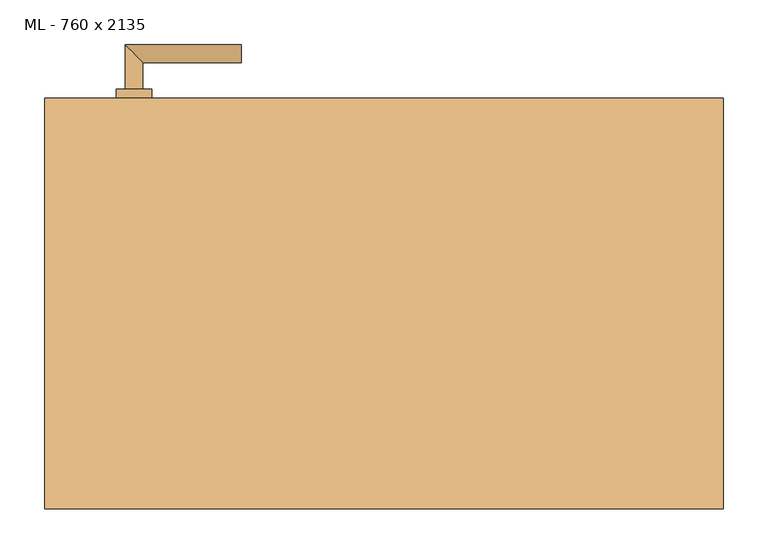
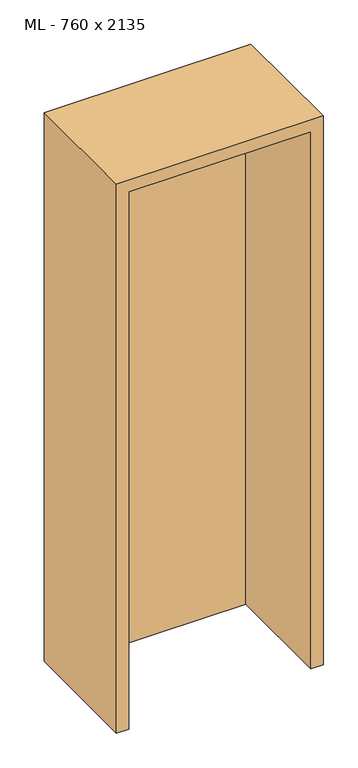
"""IFC4 building model written with IfcOpenShell, lengths in millimetres: door geometry, ML - 760 x 2135."""

from ifc_helpers import new_model, si_unit, point, frame, frame_2d, origin, origin_with_axes, place, context, project, spatial, polyline, circle_curve, ellipse_curve, trimmed, segment, composite_curve, outline, extrude, faceted_brep, source, transform, mapped, element, save
from ifc_brep_helpers import plane_surface, cylinder_surface, advanced_brep


def ml_760_x_2135_b6293ba5(model_context):
    return source(origin(), model_context, "Body", "SolidModel", [
        extrude(outline(polyline([(346.0, 230.0), (346.0, 185.0), (-346.0, 185.0), (-346.0, 230.0), (346.0, 230.0)])), origin_with_axes(), (0.0, 0.0, 1.0), 2101.0),
        advanced_brep(
        [(-270.0, 240.0, 1050.0), (-290.0, 240.0, 1050.0), (-270.0, 270.0, 1050.0), (-290.0, 290.0, 1050.0), (-160.0, 270.0, 1050.0), (-160.0, 290.0, 1050.0)],
        [
            (0, 1, circle_curve(frame((-280.0, 240.0, 1050.0), z_axis=(0.0, -1.0, 0.0), x_axis=(-1.0, 0.0, 0.0)), 10.0)),
            (1, 0, circle_curve(frame((-280.0, 240.0, 1050.0), z_axis=(0.0, -1.0, 0.0), x_axis=(-1.0, 0.0, 0.0)), 10.0)),
            (0, 2),
            (2, 3, ellipse_curve(frame((-280.0, 280.0, 1050.0), z_axis=(-0.7071067811865531, -0.7071067811865419, 0.0), x_axis=(0.707106781186542, -0.707106781186553, 0.0)), 14.1421356, 10.0)),
            (3, 1),
            (3, 2, ellipse_curve(frame((-280.0, 280.0, 1050.0), z_axis=(-0.7071067811865531, -0.7071067811865419, 0.0), x_axis=(0.707106781186542, -0.707106781186553, 0.0)), 14.1421356, 10.0)),
            (4, 5, circle_curve(frame((-160.0, 280.0, 1050.0), z_axis=(1.0, 0.0, 0.0), x_axis=(0.0, 1.0, 0.0)), 10.0)),
            (5, 4, circle_curve(frame((-160.0, 280.0, 1050.0), z_axis=(1.0, 0.0, 0.0), x_axis=(0.0, 1.0, 0.0)), 10.0)),
            (2, 4),
            (5, 3),
        ],
        [
            plane_surface(frame((-280.0, 240.0, 1050.0), z_axis=(0.0, -1.0, 0.0), x_axis=(0.0, 0.0, 1.0))),
            cylinder_surface(frame((-280.0, 240.0, 1050.0), z_axis=(0.0, -1.0, 0.0), x_axis=(-1.0, 0.0, 0.0)), 10.0),
            plane_surface(frame((-160.0, 280.0, 1050.0), z_axis=(1.0, 0.0, 0.0), x_axis=(0.0, 0.0, 1.0))),
            cylinder_surface(frame((-280.0, 280.0, 1050.0), z_axis=(-1.0, 0.0, 0.0), x_axis=(0.0, 1.0, 0.0)), 10.0),
        ],
        [
            (0, [[1, 2]]),
            (1, [[-1, 3, 4, 5]]),
            (1, [[-2, -5, 6, -3]]),
            (2, [[7, 8]]),
            (3, [[-4, 9, -8, 10]]),
            (3, [[-6, -10, -7, -9]]),
        ],
    ),
        extrude(outline(composite_curve([segment(trimmed(circle_curve(frame_2d((990.0, -280.0)), 20.0), [point((990.0, -300.0))], [point((990.0, -260.0))], False, "CARTESIAN"), True, "CONTINUOUS"), segment(trimmed(circle_curve(frame_2d((990.0, -280.0)), 20.0), [point((990.0, -260.0))], [point((990.0, -300.0))], False, "CARTESIAN"), True, "CONTINUOUS")], self_intersect=False), holes=[composite_curve([segment(polyline([(976.4601385, -282.397268), (988.4749012, -282.397268)]), True, "CONTINUOUS"), segment(trimmed(circle_curve(frame_2d((995.0361633, -280.0)), 6.9854888), [point((988.4749012, -282.397268))], [point((988.4749012, -277.602732))], True, "CARTESIAN"), True, "CONTINUOUS"), segment(polyline([(988.4749012, -277.602732), (976.4601385, -277.602732)]), True, "CONTINUOUS"), segment(trimmed(circle_curve(frame_2d((976.4601385, -280.0)), 2.397268), [point((976.4601385, -277.602732))], [point((976.4601385, -282.397268))], True, "CARTESIAN"), True, "CONTINUOUS")], self_intersect=False)]), frame((0.0, 230.0, 0.0), z_axis=(0.0, 1.0, 0.0), x_axis=(0.0, 0.0, 1.0)), (0.0, 0.0, 1.0), 10.0),
        advanced_brep(
        [(-270.0, 240.0, 1050.0), (-290.0, 240.0, 1050.0), (-270.0, 270.0, 1050.0), (-290.0, 290.0, 1050.0), (-160.0, 270.0, 1050.0), (-160.0, 290.0, 1050.0)],
        [
            (0, 1, circle_curve(frame((-280.0, 240.0, 1050.0), z_axis=(0.0, -1.0, 0.0), x_axis=(-1.0, 0.0, 0.0)), 10.0)),
            (1, 0, circle_curve(frame((-280.0, 240.0, 1050.0), z_axis=(0.0, -1.0, 0.0), x_axis=(-1.0, 0.0, 0.0)), 10.0)),
            (0, 2),
            (2, 3, ellipse_curve(frame((-280.0, 280.0, 1050.0), z_axis=(-0.7071067811865537, -0.7071067811865414, 0.0), x_axis=(0.7071067811865414, -0.7071067811865536, 0.0)), 14.1421356, 10.0)),
            (3, 1),
            (3, 2, ellipse_curve(frame((-280.0, 280.0, 1050.0), z_axis=(-0.7071067811865537, -0.7071067811865414, 0.0), x_axis=(0.7071067811865414, -0.7071067811865536, 0.0)), 14.1421356, 10.0)),
            (4, 5, circle_curve(frame((-160.0, 280.0, 1050.0), z_axis=(1.0, 0.0, 0.0), x_axis=(0.0, 1.0, 0.0)), 10.0)),
            (5, 4, circle_curve(frame((-160.0, 280.0, 1050.0), z_axis=(1.0, 0.0, 0.0), x_axis=(0.0, 1.0, 0.0)), 10.0)),
            (2, 4),
            (5, 3),
        ],
        [
            plane_surface(frame((-280.0, 240.0, 1050.0), z_axis=(0.0, -1.0, 0.0), x_axis=(0.0, 0.0, 1.0))),
            cylinder_surface(frame((-280.0, 240.0, 1050.0), z_axis=(0.0, -1.0, 0.0), x_axis=(-1.0, 0.0, 0.0)), 10.0),
            plane_surface(frame((-160.0, 280.0, 1050.0), z_axis=(1.0, 0.0, 0.0), x_axis=(0.0, 0.0, 1.0))),
            cylinder_surface(frame((-280.0, 280.0, 1050.0), z_axis=(-1.0, 0.0, 0.0), x_axis=(0.0, 1.0, 0.0)), 10.0),
        ],
        [
            (0, [[1, 2]]),
            (1, [[-1, 3, 4, 5]]),
            (1, [[-2, -5, 6, -3]]),
            (2, [[7, 8]]),
            (3, [[-4, 9, -8, 10]]),
            (3, [[-6, -10, -7, -9]]),
        ],
    ),
        extrude(outline(composite_curve([segment(trimmed(circle_curve(frame_2d((1050.0, -280.0)), 20.0), [point((1050.0, -300.0))], [point((1050.0, -260.0))], False, "CARTESIAN"), True, "CONTINUOUS"), segment(trimmed(circle_curve(frame_2d((1050.0, -280.0)), 20.0), [point((1050.0, -260.0))], [point((1050.0, -300.0))], False, "CARTESIAN"), True, "CONTINUOUS")], self_intersect=False)), frame((0.0, 230.0, 0.0), z_axis=(0.0, 1.0, 0.0), x_axis=(0.0, 0.0, 1.0)), (0.0, 0.0, 1.0), 10.0),
        advanced_brep(
        [(-270.0, 175.0, 1050.0), (-290.0, 175.0, 1050.0), (-290.0, 125.0, 1050.0), (-270.0, 145.0, 1050.0), (-160.0, 145.0, 1050.0), (-160.0, 125.0, 1050.0)],
        [
            (0, 1, circle_curve(frame((-280.0, 175.0, 1050.0), z_axis=(0.0, 1.0, 0.0), x_axis=(-1.0, 0.0, 0.0)), 10.0)),
            (1, 0, circle_curve(frame((-280.0, 175.0, 1050.0), z_axis=(0.0, 1.0, 0.0), x_axis=(-1.0, 0.0, 0.0)), 10.0)),
            (1, 2),
            (2, 3, ellipse_curve(frame((-280.0, 135.0, 1050.0), z_axis=(-0.7071067811865486, 0.7071067811865464, 0.0), x_axis=(0.7071067811865464, 0.7071067811865488, 0.0)), 14.1421356, 10.0)),
            (3, 0),
            (3, 2, ellipse_curve(frame((-280.0, 135.0, 1050.0), z_axis=(-0.7071067811865486, 0.7071067811865464, 0.0), x_axis=(0.7071067811865464, 0.7071067811865488, 0.0)), 14.1421356, 10.0)),
            (4, 5, circle_curve(frame((-160.0, 135.0, 1050.0), z_axis=(1.0, 0.0, 0.0), x_axis=(0.0, -1.0, 0.0)), 10.0)),
            (5, 4, circle_curve(frame((-160.0, 135.0, 1050.0), z_axis=(1.0, 0.0, 0.0), x_axis=(0.0, -1.0, 0.0)), 10.0)),
            (2, 5),
            (4, 3),
        ],
        [
            plane_surface(frame((-280.0, 175.0, 1050.0), z_axis=(0.0, 1.0, 0.0), x_axis=(0.0, 0.0, 1.0))),
            cylinder_surface(frame((-280.0, 175.0, 1050.0), z_axis=(0.0, 1.0, 0.0), x_axis=(-1.0, 0.0, 0.0)), 10.0),
            plane_surface(frame((-160.0, 135.0, 1050.0), z_axis=(1.0, 0.0, 0.0), x_axis=(0.0, 0.0, 1.0))),
            cylinder_surface(frame((-280.0, 135.0, 1050.0), z_axis=(-1.0, 0.0, 0.0), x_axis=(0.0, -1.0, 0.0)), 10.0),
        ],
        [
            (0, [[1, 2]]),
            (1, [[3, 4, 5, -2]]),
            (1, [[-5, 6, -3, -1]]),
            (2, [[7, 8]]),
            (3, [[9, -7, 10, -4]]),
            (3, [[-10, -8, -9, -6]]),
        ],
    ),
        extrude(outline(composite_curve([segment(trimmed(circle_curve(frame_2d((990.0, -280.0)), 20.0), [point((990.0, -300.0))], [point((990.0, -260.0))], False, "CARTESIAN"), True, "CONTINUOUS"), segment(trimmed(circle_curve(frame_2d((990.0, -280.0)), 20.0), [point((990.0, -260.0))], [point((990.0, -300.0))], False, "CARTESIAN"), True, "CONTINUOUS")], self_intersect=False), holes=[composite_curve([segment(polyline([(976.4601385, -282.397268), (988.4749012, -282.397268)]), True, "CONTINUOUS"), segment(trimmed(circle_curve(frame_2d((995.0361633, -280.0)), 6.9854888), [point((988.4749012, -282.397268))], [point((988.4749012, -277.602732))], True, "CARTESIAN"), True, "CONTINUOUS"), segment(polyline([(988.4749012, -277.602732), (976.4601385, -277.602732)]), True, "CONTINUOUS"), segment(trimmed(circle_curve(frame_2d((976.4601385, -280.0)), 2.397268), [point((976.4601385, -277.602732))], [point((976.4601385, -282.397268))], True, "CARTESIAN"), True, "CONTINUOUS")], self_intersect=False)]), frame((0.0, 175.0, 0.0), z_axis=(0.0, 1.0, 0.0), x_axis=(0.0, 0.0, 1.0)), (0.0, 0.0, 1.0), 10.0),
        advanced_brep(
        [(-270.0, 175.0, 1050.0), (-290.0, 175.0, 1050.0), (-290.0, 125.0, 1050.0), (-270.0, 145.0, 1050.0), (-160.0, 145.0, 1050.0), (-160.0, 125.0, 1050.0)],
        [
            (0, 1, circle_curve(frame((-280.0, 175.0, 1050.0), z_axis=(0.0, 1.0, 0.0), x_axis=(-1.0, 0.0, 0.0)), 10.0)),
            (1, 0, circle_curve(frame((-280.0, 175.0, 1050.0), z_axis=(0.0, 1.0, 0.0), x_axis=(-1.0, 0.0, 0.0)), 10.0)),
            (1, 2),
            (2, 3, ellipse_curve(frame((-280.0, 135.0, 1050.0), z_axis=(-0.7071067811865491, 0.7071067811865459, 0.0), x_axis=(0.7071067811865458, 0.7071067811865492, 0.0)), 14.1421356, 10.0)),
            (3, 0),
            (3, 2, ellipse_curve(frame((-280.0, 135.0, 1050.0), z_axis=(-0.7071067811865491, 0.7071067811865459, 0.0), x_axis=(0.7071067811865458, 0.7071067811865492, 0.0)), 14.1421356, 10.0)),
            (4, 5, circle_curve(frame((-160.0, 135.0, 1050.0), z_axis=(1.0, 0.0, 0.0), x_axis=(0.0, -1.0, 0.0)), 10.0)),
            (5, 4, circle_curve(frame((-160.0, 135.0, 1050.0), z_axis=(1.0, 0.0, 0.0), x_axis=(0.0, -1.0, 0.0)), 10.0)),
            (2, 5),
            (4, 3),
        ],
        [
            plane_surface(frame((-280.0, 175.0, 1050.0), z_axis=(0.0, 1.0, 0.0), x_axis=(0.0, 0.0, 1.0))),
            cylinder_surface(frame((-280.0, 175.0, 1050.0), z_axis=(0.0, 1.0, 0.0), x_axis=(-1.0, 0.0, 0.0)), 10.0),
            plane_surface(frame((-160.0, 135.0, 1050.0), z_axis=(1.0, 0.0, 0.0), x_axis=(0.0, 0.0, 1.0))),
            cylinder_surface(frame((-280.0, 135.0, 1050.0), z_axis=(-1.0, 0.0, 0.0), x_axis=(0.0, -1.0, 0.0)), 10.0),
        ],
        [
            (0, [[1, 2]]),
            (1, [[3, 4, 5, -2]]),
            (1, [[-5, 6, -3, -1]]),
            (2, [[7, 8]]),
            (3, [[9, -7, 10, -4]]),
            (3, [[-10, -8, -9, -6]]),
        ],
    ),
        extrude(outline(composite_curve([segment(trimmed(circle_curve(frame_2d((1050.0, -280.0)), 20.0), [point((1050.0, -300.0))], [point((1050.0, -260.0))], False, "CARTESIAN"), True, "CONTINUOUS"), segment(trimmed(circle_curve(frame_2d((1050.0, -280.0)), 20.0), [point((1050.0, -260.0))], [point((1050.0, -300.0))], False, "CARTESIAN"), True, "CONTINUOUS")], self_intersect=False)), frame((0.0, 175.0, 0.0), z_axis=(0.0, 1.0, 0.0), x_axis=(0.0, 0.0, 1.0)), (0.0, 0.0, 1.0), 10.0),
        faceted_brep([(-350.0, 230.0, 0.0), (-350.0, 185.0, 0.0), (-335.0, 185.0, 0.0), (-335.0, -230.0, 0.0), (-380.0, -230.0, 0.0), (-380.0, 230.0, 0.0), (-350.0, 230.0, 2105.0), (-350.0, 185.0, 2105.0), (350.0, 185.0, 2105.0), (350.0, 185.0, 0.0), (335.0, 185.0, 0.0), (335.0, 185.0, 2090.0), (-335.0, 185.0, 2090.0), (-335.0, -230.0, 2090.0), (335.0, -230.0, 2090.0), (335.0, -230.0, 0.0), (380.0, -230.0, 0.0), (380.0, -230.0, 2135.0), (-380.0, -230.0, 2135.0), (-380.0, 230.0, 2135.0), (380.0, 230.0, 2135.0), (380.0, 230.0, 0.0), (350.0, 230.0, 0.0), (350.0, 230.0, 2105.0)], [[[0, 1, 2, 3, 4, 5]], [[1, 0, 6, 7]], [[2, 1, 7, 8, 9, 10, 11, 12]], [[3, 2, 12, 13]], [[4, 3, 13, 14, 15, 16, 17, 18]], [[5, 4, 18, 19]], [[0, 5, 19, 20, 21, 22, 23, 6]], [[20, 17, 16, 21]], [[22, 21, 16, 15, 10, 9]], [[8, 23, 22, 9]], [[14, 11, 10, 15]], [[19, 18, 17, 20]], [[13, 12, 11, 14]], [[7, 6, 23, 8]]]),
    ])


if __name__ == "__main__":
    model = new_model("IFC4")
    model_context = context("Model", 3, world=origin())
    ifc_project = project(units=[si_unit("LENGTHUNIT", "METRE", prefix="MILLI")], contexts=[model_context])
    site = spatial("IfcSite", under=ifc_project)
    building = spatial("IfcBuilding", under=site)
    placement = place(None, origin())
    ml_760_x_2135_shape = ml_760_x_2135_b6293ba5(model_context)
    element("IfcDoor", 1, ObjectType="ML - 760 x 2135", at=placement, inside=building, context=model_context, shape_type="MappedRepresentation", body=[
        mapped(ml_760_x_2135_shape, transform((0.0, 0.0, 0.0), x_axis=(1.0, 0.0, 0.0), y_axis=(0.0, 1.0, 0.0), z_axis=(0.0, 0.0, 1.0))),
    ])
    save(model, "model.ifc")
